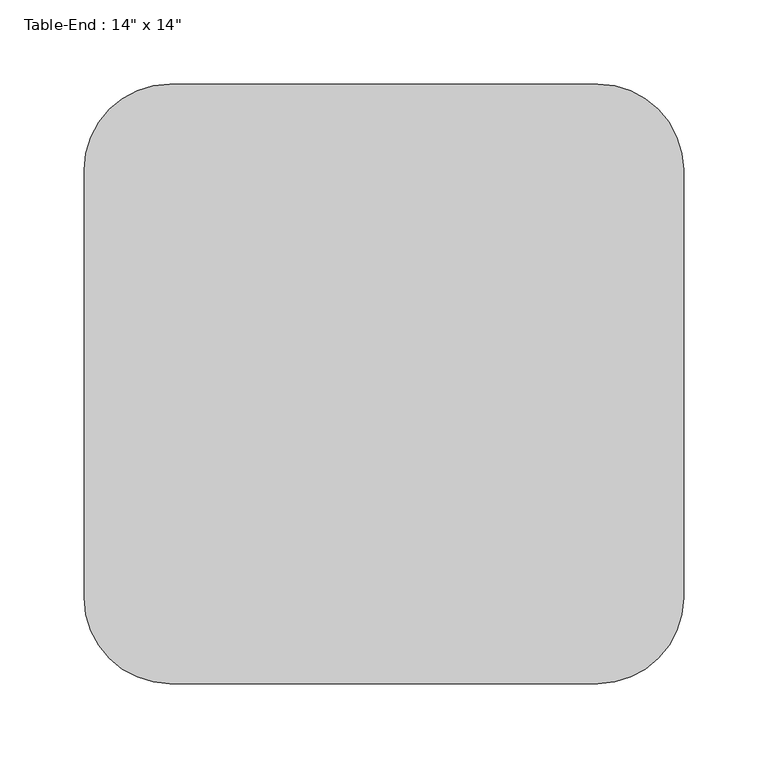
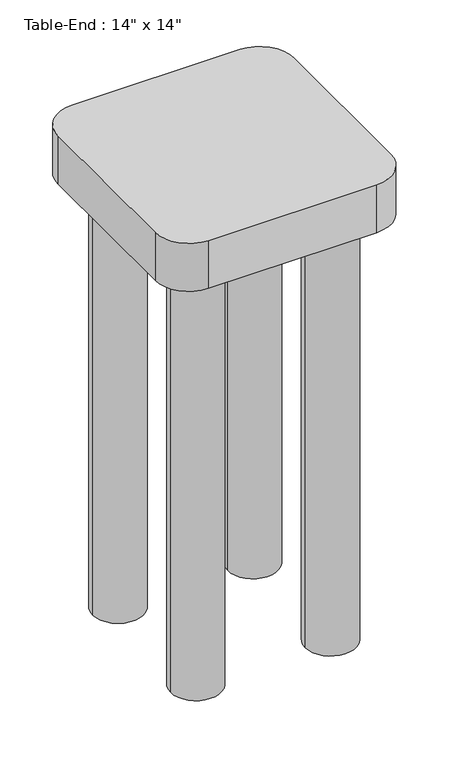
"""IFC4 building model written with IfcOpenShell, lengths in millimetres: furniture geometry."""

from ifc_helpers import new_model, si_unit, point, frame, frame_2d, origin, origin_with_axes, place, context, project, spatial, polyline, circle_curve, trimmed, segment, composite_curve, outline, extrude, source, transform, mapped, element, save


def furniture_c2f20335(model_context):
    return source(origin(), model_context, "Body", "SweptSolid", [
        extrude(outline(composite_curve([segment(polyline([(308.5336303, -25.4), (54.5336303, -25.4)]), True, "CONTINUOUS"), segment(trimmed(circle_curve(frame_2d((54.5336303, 25.4)), 50.8), [point((54.5336303, -25.4))], [point((3.7336303, 25.4))], False, "CARTESIAN"), True, "CONTINUOUS"), segment(polyline([(3.7336303, 25.4), (3.7336303, 279.4)]), True, "CONTINUOUS"), segment(trimmed(circle_curve(frame_2d((54.5336303, 279.4)), 50.8), [point((3.7336303, 279.4))], [point((54.5336303, 330.2))], False, "CARTESIAN"), True, "CONTINUOUS"), segment(polyline([(54.5336303, 330.2), (308.5336303, 330.2)]), True, "CONTINUOUS"), segment(trimmed(circle_curve(frame_2d((308.5336303, 279.4)), 50.8), [point((308.5336303, 330.2))], [point((359.3336303, 279.4))], False, "CARTESIAN"), True, "CONTINUOUS"), segment(polyline([(359.3336303, 279.4), (359.3336303, 25.4)]), True, "CONTINUOUS"), segment(trimmed(circle_curve(frame_2d((308.5336303, 25.4)), 50.8), [point((359.3336303, 25.4))], [point((308.5336303, -25.4))], False, "CARTESIAN"), True, "CONTINUOUS")], self_intersect=False)), frame((0.0, 0.0, 685.8), z_axis=(0.0, 0.0, 1.0), x_axis=(1.0, 0.0, 0.0)), (0.0, 0.0, 1.0), 76.2),
        extrude(outline(composite_curve([segment(trimmed(circle_curve(frame_2d((79.9336303, 254.0)), 38.1), [point((41.8336303, 254.0))], [point((118.0336303, 254.0))], False, "CARTESIAN"), True, "CONTINUOUS"), segment(trimmed(circle_curve(frame_2d((79.9336303, 254.0)), 38.1), [point((118.0336303, 254.0))], [point((41.8336303, 254.0))], False, "CARTESIAN"), True, "CONTINUOUS")], self_intersect=False)), origin_with_axes(), (0.0, 0.0, 1.0), 685.8),
        extrude(outline(composite_curve([segment(trimmed(circle_curve(frame_2d((79.9336303, 50.8)), 38.1), [point((41.8336303, 50.8))], [point((118.0336303, 50.8))], False, "CARTESIAN"), True, "CONTINUOUS"), segment(trimmed(circle_curve(frame_2d((79.9336303, 50.8)), 38.1), [point((118.0336303, 50.8))], [point((41.8336303, 50.8))], False, "CARTESIAN"), True, "CONTINUOUS")], self_intersect=False)), origin_with_axes(), (0.0, 0.0, 1.0), 685.8),
        extrude(outline(composite_curve([segment(trimmed(circle_curve(frame_2d((283.1336303, 50.8)), 38.1), [point((245.0336303, 50.8))], [point((321.2336303, 50.8))], False, "CARTESIAN"), True, "CONTINUOUS"), segment(trimmed(circle_curve(frame_2d((283.1336303, 50.8)), 38.1), [point((321.2336303, 50.8))], [point((245.0336303, 50.8))], False, "CARTESIAN"), True, "CONTINUOUS")], self_intersect=False)), origin_with_axes(), (0.0, 0.0, 1.0), 685.8),
        extrude(outline(composite_curve([segment(trimmed(circle_curve(frame_2d((283.1336303, 254.0)), 38.1), [point((245.0336303, 254.0))], [point((321.2336303, 254.0))], False, "CARTESIAN"), True, "CONTINUOUS"), segment(trimmed(circle_curve(frame_2d((283.1336303, 254.0)), 38.1), [point((321.2336303, 254.0))], [point((245.0336303, 254.0))], False, "CARTESIAN"), True, "CONTINUOUS")], self_intersect=False)), origin_with_axes(), (0.0, 0.0, 1.0), 685.8),
    ])


if __name__ == "__main__":
    model = new_model("IFC4")
    model_context = context("Model", 3, world=origin())
    ifc_project = project(units=[si_unit("LENGTHUNIT", "METRE", prefix="MILLI")], contexts=[model_context])
    site = spatial("IfcSite", under=ifc_project)
    building = spatial("IfcBuilding", under=site)
    placement = place(None, origin())
    furniture_shape = furniture_c2f20335(model_context)
    element("IfcFurniture", 1, ObjectType="Table-End : 14\" x 14\"", at=placement, inside=building, context=model_context, shape_type="MappedRepresentation", body=[
        mapped(furniture_shape, transform((0.0, 0.0, 0.0), x_axis=(1.0, 0.0, 0.0), y_axis=(0.0, 1.0, 0.0), z_axis=(0.0, 0.0, 1.0))),
    ])
    save(model, "model.ifc")
